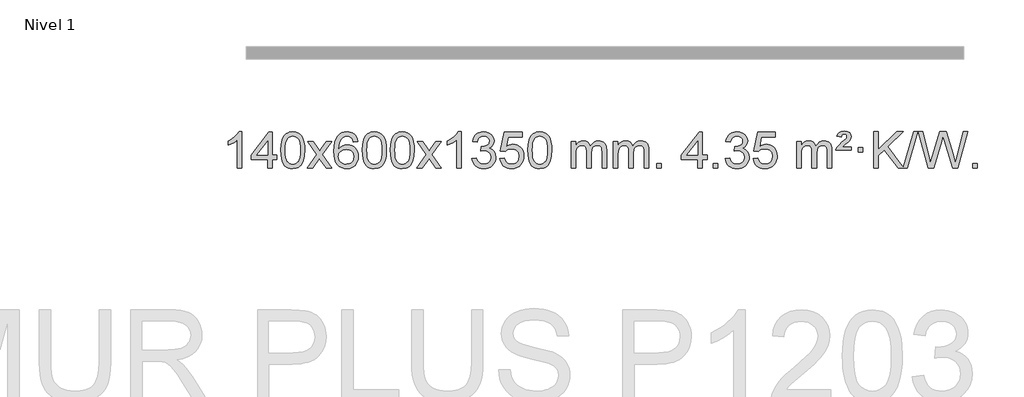
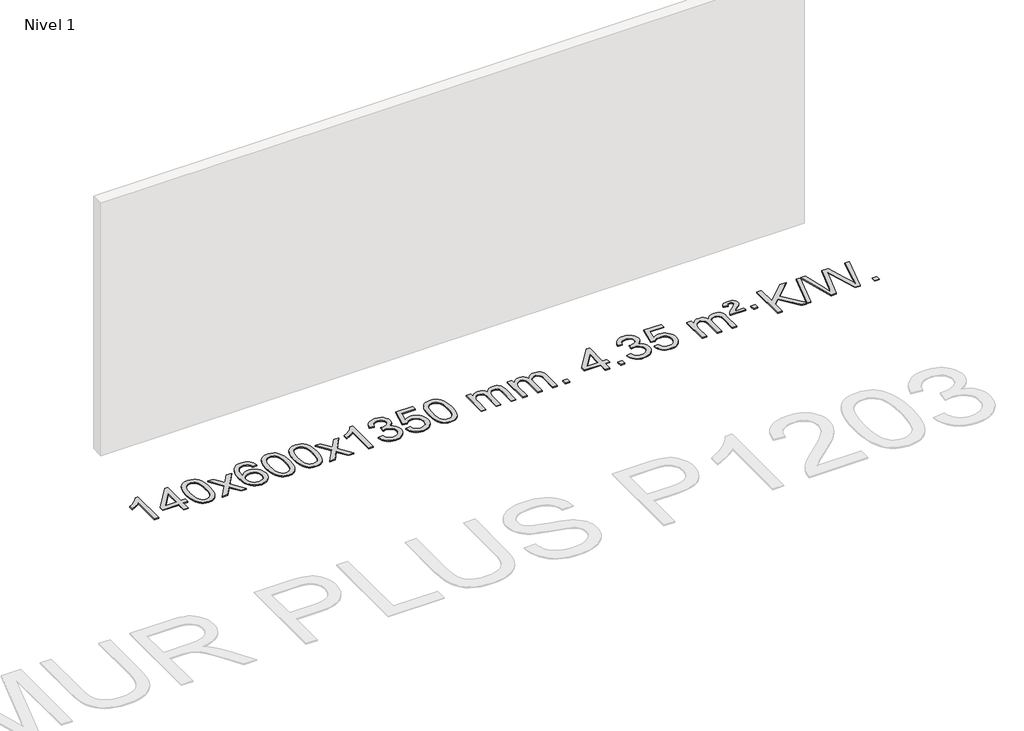
# One storey, part 3 of 10: 1 proxy.
"""IFC4 building model written with IfcOpenShell, lengths in millimetres."""

from ifc_helpers import new_model, si_unit, origin, origin_with_axes, place, context, project, spatial, polyline, outline, extrude, element, save

model = new_model("IFC4")

# Units and contexts
model_context = context("Model", 3, world=origin())
ifc_project = project(units=[si_unit("LENGTHUNIT", "METRE", prefix="MILLI")], contexts=[model_context])

# Site, building, storey
site = spatial("IfcSite", under=ifc_project)
building = spatial("IfcBuilding", under=site)
storey = spatial("IfcBuildingStorey", under=building, Name="Nivel 1", Elevation=0.0)

# Proxy
placement = place(None, origin())
element("IfcBuildingElementProxy", 1, Name="Texto de modelo 1", ObjectType="Texto de modelo 1", at=placement, inside=storey, context=model_context, shape_type="SweptSolid", body=[
    extrude(outline(polyline([(-275.4615788, -15465.579453), (-325.6897338, -15465.579453), (-325.6897338, -15152.4382987), (-346.6590076, -15169.3976587), (-373.2691385, -15186.3324932), (-426.146044, -15211.6918254), (-426.146044, -15164.2105225), (-386.6968314, -15142.7507395), (-352.520594, -15117.219729), (-325.5793692, -15090.0700378), (-307.8351943, -15063.7542124), (-275.4615788, -15063.7542124), (-275.4615788, -15465.579453)])), origin_with_axes(), (0.0, 0.0, 1.0), 10.0),
    extrude(outline(polyline([(7.0717935, -15465.579453), (7.0717935, -15371.4016622), (-175.0052686, -15371.4016622), (-175.0052686, -15321.1735072), (19.6288323, -15070.0327318), (57.2999486, -15070.0327318), (57.2999486, -15321.1735072), (107.5281037, -15321.1735072), (107.5281037, -15371.4016622), (57.2999486, -15371.4016622), (57.2999486, -15465.579453), (7.0717935, -15465.579453)]), holes=[polyline([(7.0717935, -15321.1735072), (7.0717935, -15165.9763561), (-113.2010934, -15321.1735072), (7.0717935, -15321.1735072)])]), origin_with_axes(), (0.0, 0.0, 1.0), 10.0),
    extrude(outline(polyline([(151.4777394, -15267.9041943), (155.1688221, -15203.5861588), (166.2420701, -15152.2911459), (184.5871189, -15113.2343407), (196.4451819, -15098.0009605), (210.0936039, -15085.6309284), (225.5783702, -15076.0598651), (242.9454661, -15069.2233914), (283.3266464, -15063.7542124), (314.277785, -15066.991574), (341.9915619, -15076.7036586), (365.1681276, -15092.5103217), (382.5076323, -15114.0314184), (395.6042314, -15141.0830078), (406.05208, -15173.4811488), (412.8946851, -15214.6226186), (415.1755535, -15267.9041943), (411.521259, -15331.8543477), (400.5583756, -15383.0267333), (382.3236913, -15422.1203266), (370.4932195, -15437.3996922), (356.8539945, -15449.8341036), (341.3508341, -15459.4695462), (323.928556, -15466.3520052), (283.3266464, -15471.8579724), (255.6619204, -15469.4667394), (231.1364541, -15462.2930405), (209.7502474, -15450.3368757), (191.5033004, -15433.5982449), (173.9921175, -15403.3399508), (161.4841296, -15365.6381776), (153.9793369, -15320.4929255), (151.4777394, -15267.9041943)]), holes=[polyline([(201.7058944, -15267.8060924), (203.1774224, -15311.4706195), (207.5920064, -15346.8148822), (214.9496463, -15373.8388804), (225.2503421, -15392.5426142), (237.709279, -15405.2682656), (251.5416421, -15414.3580165), (266.7474312, -15419.8118671), (283.3266464, -15421.6298173), (299.9058617, -15419.8057357), (315.1116508, -15414.3334911), (328.9440138, -15405.2130833), (341.4029507, -15392.4445124), (351.7036466, -15373.7101217), (359.0612865, -15346.6922549), (363.4758705, -15311.3909118), (364.9473984, -15267.8060924), (363.5249214, -15225.2973278), (359.2574902, -15190.5753989), (352.145105, -15163.6403055), (342.1877657, -15144.4920476), (329.9372952, -15131.1440625), (315.9455167, -15121.6097875), (300.21243, -15115.8892225), (282.7380352, -15113.9823675), (266.2446591, -15115.6623619), (251.2963874, -15120.7023452), (237.89322, -15129.1023175), (226.0351571, -15140.8622786), (215.3911047, -15161.708925), (207.7882101, -15189.8151094), (203.2264734, -15225.1808319), (201.7058944, -15267.8060924)])]), origin_with_axes(), (0.0, 0.0, 1.0), 10.0),
    extrude(outline(polyline([(440.2896311, -15465.579453), (547.6130718, -15317.2494325), (446.5681504, -15170.4890419), (506.9988995, -15170.4890419), (555.7555266, -15241.122385), (578.5151594, -15274.4770192), (598.2336343, -15247.2047007), (653.7592901, -15170.4890419), (714.1900392, -15170.4890419), (608.0438209, -15317.2494325), (710.2659646, -15465.579453), (649.8352155, -15465.579453), (588.3253459, -15376.4048574), (577.0436314, -15360.1199477), (500.7203801, -15465.579453), (440.2896311, -15465.579453)])), origin_with_axes(), (0.0, 0.0, 1.0), 10.0),
    extrude(outline(polyline([(999.0778563, -15170.4890419), (948.8497012, -15176.7675613), (940.7562973, -15151.874213), (929.8179393, -15134.8780648), (907.0337811, -15119.2062918), (879.4916824, -15113.9823675), (856.1434384, -15117.0235253), (834.1686206, -15126.1469988), (815.2962742, -15145.3627017), (799.8820186, -15171.8134171), (789.4709581, -15209.227016), (785.6081972, -15261.3313693), (805.7558678, -15237.8237098), (829.9011894, -15221.2567573), (856.6952614, -15211.434308), (884.7891831, -15208.1601582), (908.922242, -15210.398107), (931.1913654, -15217.1119534), (951.5965534, -15228.3016975), (970.137806, -15243.9673391), (985.5459302, -15263.1769106), (996.5517332, -15284.9984443), (1003.155215, -15309.4319401), (1005.3563756, -15336.4773982), (1001.2115718, -15372.4439945), (988.7771604, -15405.786366), (969.0832109, -15434.0642287), (943.159793, -15454.8372987), (912.184129, -15467.602804), (877.3334413, -15471.8579724), (847.3909126, -15469.0375437), (820.3485203, -15460.5762579), (796.2062643, -15446.4741147), (774.9641448, -15426.7311143), (757.6460999, -15400.5133908), (745.2760678, -15366.9870783), (737.8540485, -15326.1521768), (735.3800421, -15278.0086864), (738.1268943, -15224.0342663), (746.367451, -15177.9693092), (760.1017122, -15139.8138149), (779.3296778, -15109.5677835), (800.1701928, -15089.5243462), (824.3339085, -15075.2076052), (851.820825, -15066.6175606), (882.6309421, -15063.7542124), (905.7645882, -15065.5261773), (926.7032051, -15070.8420722), (945.4467927, -15079.7018969), (961.9953511, -15092.1056515), (975.9012906, -15107.6364031), (986.7170212, -15125.8772186), (994.4425431, -15146.8280983), (999.0778563, -15170.4890419)]), holes=[polyline([(785.6081972, -15335.6925832), (788.514465, -15357.9494439), (797.2332682, -15379.2007605), (810.7713257, -15397.472233), (828.1353558, -15410.7895612), (849.0923668, -15418.9197533), (873.4093667, -15421.6298173), (906.5555345, -15416.0134855), (920.4706709, -15408.9930708), (932.6138425, -15399.1644901), (942.4638829, -15386.9262824), (949.499626, -15372.6769865), (955.1282206, -15338.1451299), (949.5732024, -15304.9989621), (942.6294298, -15291.3781312), (932.9081481, -15279.725469), (920.7281883, -15270.3904634), (906.4083817, -15263.7226022), (871.3492275, -15258.3883133), (838.2521107, -15263.7226022), (810.5751219, -15279.725469), (799.6520924, -15291.2248471), (791.8499284, -15304.3858254), (787.16863, -15319.2084042), (785.6081972, -15335.6925832)])]), origin_with_axes(), (0.0, 0.0, 1.0), 10.0),
    extrude(outline(polyline([(1049.3060113, -15267.9041943), (1052.997094, -15203.5861588), (1064.0703421, -15152.2911459), (1082.4153909, -15113.2343407), (1094.2734539, -15098.0009605), (1107.9218759, -15085.6309284), (1123.4066422, -15076.0598651), (1140.7737381, -15069.2233914), (1181.1549184, -15063.7542124), (1212.1060569, -15066.991574), (1239.8198339, -15076.7036586), (1262.9963996, -15092.5103217), (1280.3359043, -15114.0314184), (1293.4325033, -15141.0830078), (1303.880352, -15173.4811488), (1310.7229571, -15214.6226186), (1313.0038255, -15267.9041943), (1309.349531, -15331.8543477), (1298.3866475, -15383.0267333), (1280.1519633, -15422.1203266), (1268.3214915, -15437.3996922), (1254.6822665, -15449.8341036), (1239.1791061, -15459.4695462), (1221.7568279, -15466.3520052), (1181.1549184, -15471.8579724), (1153.4901924, -15469.4667394), (1128.964726, -15462.2930405), (1107.5785194, -15450.3368757), (1089.3315724, -15433.5982449), (1071.8203894, -15403.3399508), (1059.3124016, -15365.6381776), (1051.8076089, -15320.4929255), (1049.3060113, -15267.9041943)]), holes=[polyline([(1099.5341664, -15267.8060924), (1101.0056944, -15311.4706195), (1105.4202783, -15346.8148822), (1112.7779182, -15373.8388804), (1123.0786141, -15392.5426142), (1135.537551, -15405.2682656), (1149.369914, -15414.3580165), (1164.5757032, -15419.8118671), (1181.1549184, -15421.6298173), (1197.7341337, -15419.8057357), (1212.9399228, -15414.3334911), (1226.7722858, -15405.2130833), (1239.2312227, -15392.4445124), (1249.5319186, -15373.7101217), (1256.8895585, -15346.6922549), (1261.3041424, -15311.3909118), (1262.7756704, -15267.8060924), (1261.3531934, -15225.2973278), (1257.0857622, -15190.5753989), (1249.973377, -15163.6403055), (1240.0160376, -15144.4920476), (1227.7655672, -15131.1440625), (1213.7737886, -15121.6097875), (1198.040702, -15115.8892225), (1180.5663072, -15113.9823675), (1164.0729311, -15115.6623619), (1149.1246594, -15120.7023452), (1135.721492, -15129.1023175), (1123.863429, -15140.8622786), (1113.2193766, -15161.708925), (1105.6164821, -15189.8151094), (1101.0547453, -15225.1808319), (1099.5341664, -15267.8060924)])]), origin_with_axes(), (0.0, 0.0, 1.0), 10.0),
    extrude(outline(polyline([(1356.9534612, -15267.9041943), (1360.6445439, -15203.5861588), (1371.7177919, -15152.2911459), (1390.0628407, -15113.2343407), (1401.9209037, -15098.0009605), (1415.5693257, -15085.6309284), (1431.054092, -15076.0598651), (1448.4211879, -15069.2233914), (1488.8023682, -15063.7542124), (1519.7535068, -15066.991574), (1547.4672837, -15076.7036586), (1570.6438494, -15092.5103217), (1587.9833541, -15114.0314184), (1601.0799532, -15141.0830078), (1611.5278018, -15173.4811488), (1618.3704069, -15214.6226186), (1620.6512753, -15267.9041943), (1616.9969808, -15331.8543477), (1606.0340974, -15383.0267333), (1587.7994131, -15422.1203266), (1575.9689413, -15437.3996922), (1562.3297163, -15449.8341036), (1546.8265559, -15459.4695462), (1529.4042778, -15466.3520052), (1488.8023682, -15471.8579724), (1461.1376422, -15469.4667394), (1436.6121759, -15462.2930405), (1415.2259692, -15450.3368757), (1396.9790222, -15433.5982449), (1379.4678393, -15403.3399508), (1366.9598514, -15365.6381776), (1359.4550587, -15320.4929255), (1356.9534612, -15267.9041943)]), holes=[polyline([(1407.1816162, -15267.8060924), (1408.6531442, -15311.4706195), (1413.0677282, -15346.8148822), (1420.4253681, -15373.8388804), (1430.7260639, -15392.5426142), (1443.1850008, -15405.2682656), (1457.0173639, -15414.3580165), (1472.223153, -15419.8118671), (1488.8023682, -15421.6298173), (1505.3815835, -15419.8057357), (1520.5873726, -15414.3334911), (1534.4197356, -15405.2130833), (1546.8786725, -15392.4445124), (1557.1793684, -15373.7101217), (1564.5370083, -15346.6922549), (1568.9515923, -15311.3909118), (1570.4231202, -15267.8060924), (1569.0006432, -15225.2973278), (1564.733212, -15190.5753989), (1557.6208268, -15163.6403055), (1547.6634875, -15144.4920476), (1535.413017, -15131.1440625), (1521.4212385, -15121.6097875), (1505.6881518, -15115.8892225), (1488.213757, -15113.9823675), (1471.7203809, -15115.6623619), (1456.7721092, -15120.7023452), (1443.3689418, -15129.1023175), (1431.5108789, -15140.8622786), (1420.8668265, -15161.708925), (1413.2639319, -15189.8151094), (1408.7021952, -15225.1808319), (1407.1816162, -15267.8060924)])]), origin_with_axes(), (0.0, 0.0, 1.0), 10.0),
    extrude(outline(polyline([(1645.7653528, -15465.579453), (1753.0887936, -15317.2494325), (1652.0438722, -15170.4890419), (1712.4746213, -15170.4890419), (1761.2312484, -15241.122385), (1783.9908812, -15274.4770192), (1803.7093561, -15247.2047007), (1859.2350119, -15170.4890419), (1919.665761, -15170.4890419), (1813.5195426, -15317.2494325), (1915.7416864, -15465.579453), (1855.3109373, -15465.579453), (1793.8010677, -15376.4048574), (1782.5193532, -15360.1199477), (1706.1961019, -15465.579453), (1645.7653528, -15465.579453)])), origin_with_axes(), (0.0, 0.0, 1.0), 10.0),
    extrude(outline(polyline([(2135.4898648, -15465.579453), (2085.2617098, -15465.579453), (2085.2617098, -15152.4382987), (2064.292436, -15169.3976587), (2037.682305, -15186.3324932), (1984.8053996, -15211.6918254), (1984.8053996, -15164.2105225), (2024.2546122, -15142.7507395), (2058.4308496, -15117.219729), (2085.3720743, -15090.0700378), (2103.1162492, -15063.7542124), (2135.4898648, -15063.7542124), (2135.4898648, -15465.579453)])), origin_with_axes(), (0.0, 0.0, 1.0), 10.0),
    extrude(outline(polyline([(2254.7817331, -15358.8446235), (2305.0098882, -15352.5661041), (2316.2548145, -15384.1303793), (2332.7236652, -15405.4430095), (2355.2257805, -15417.5831154), (2384.570501, -15421.6298173), (2419.0042558, -15416.0625364), (2433.2780772, -15409.1034354), (2445.5898613, -15399.3606939), (2462.5860095, -15374.4428201), (2468.2513922, -15344.2274455), (2462.6350604, -15315.5449126), (2445.786065, -15292.2825078), (2420.27958, -15276.8682522), (2388.6907794, -15271.730167), (2353.4722097, -15277.2238715), (2359.064016, -15226.9957164), (2367.108369, -15227.5843276), (2397.2011162, -15223.979084), (2424.1055528, -15213.1633534), (2435.1788008, -15204.9841103), (2443.0882637, -15194.8673555), (2447.8339415, -15182.8130888), (2449.415834, -15168.8213102), (2444.8295718, -15147.1285352), (2431.0707852, -15129.5315131), (2410.076986, -15117.8696539), (2383.7856861, -15113.9823675), (2357.4453352, -15117.9064421), (2335.9119758, -15129.6786659), (2320.1911519, -15149.299039), (2311.2884076, -15176.7675613), (2261.0602525, -15170.4890419), (2267.0138095, -15146.5092672), (2275.8491087, -15125.3867093), (2287.5661503, -15107.1213683), (2302.1649341, -15091.713244), (2319.1856078, -15079.4811677), (2338.1683187, -15070.7439703), (2359.113067, -15065.5016519), (2382.0198525, -15063.7542124), (2413.5963904, -15067.2000404), (2442.5977544, -15077.5375245), (2467.0496443, -15093.8469596), (2484.9777602, -15115.2086408), (2495.9774319, -15139.8199463), (2499.6439891, -15165.8782543), (2496.1613729, -15190.1584659), (2485.7135242, -15212.1823347), (2468.4475959, -15230.9443165), (2444.5107408, -15245.4388671), (2475.9523886, -15258.1430586), (2499.2515817, -15279.77452), (2513.6725559, -15309.1560286), (2518.4795473, -15345.1103623), (2516.0760516, -15370.5923218), (2508.8655645, -15394.0631931), (2496.848086, -15415.5229762), (2480.023616, -15434.971671), (2459.5264575, -15451.1094278), (2436.4909133, -15462.636397), (2410.9169832, -15469.5525785), (2382.8046674, -15471.8579724), (2357.3962843, -15469.8898037), (2334.2442441, -15463.9852977), (2313.3485468, -15454.1444543), (2294.7091923, -15440.3672736), (2279.0803389, -15423.4630959), (2267.2161446, -15404.2412617), (2259.1166093, -15382.7017708), (2254.7817331, -15358.8446235)])), origin_with_axes(), (0.0, 0.0, 1.0), 10.0),
    extrude(outline(polyline([(2562.429183, -15358.8446235), (2612.657338, -15352.5661041), (2621.8789134, -15382.7201649), (2637.9676193, -15404.3148381), (2660.8498794, -15417.3010725), (2690.4521173, -15421.6298173), (2709.581981, -15420.1245668), (2726.4555019, -15415.6088153), (2741.0726798, -15408.0825628), (2753.4335149, -15397.5458094), (2763.2620955, -15384.519721), (2770.2825102, -15369.5254641), (2775.898842, -15333.6324441), (2770.6381295, -15299.8363514), (2764.0622388, -15285.9181493), (2754.8559919, -15273.9865099), (2742.9887319, -15264.4154467), (2728.4298019, -15257.5789729), (2691.2369322, -15252.1097939), (2666.8708814, -15254.2925604), (2647.1401437, -15260.8408599), (2631.3825316, -15270.8717757), (2618.9358574, -15283.5023908), (2568.7077023, -15277.2238715), (2612.657338, -15070.0327318), (2807.291439, -15070.0327318), (2807.291439, -15120.2608869), (2653.2715103, -15120.2608869), (2631.7872018, -15230.919791), (2649.5129826, -15218.2155994), (2667.667959, -15209.1411769), (2686.2521312, -15203.6965234), (2705.265499, -15201.8816388), (2729.726586, -15204.1318504), (2752.1949788, -15210.882485), (2772.6706775, -15222.1335427), (2791.1536821, -15237.8850234), (2806.4545074, -15257.1743027), (2817.3836684, -15279.038756), (2823.9411649, -15303.4783832), (2826.1269971, -15330.4931844), (2824.1588284, -15356.5147042), (2818.2543224, -15380.7213394), (2808.413479, -15403.1130902), (2794.6362983, -15423.6899565), (2773.7651265, -15444.7634634), (2749.4113384, -15459.8159684), (2721.5749341, -15468.8474714), (2690.2559136, -15471.8579724), (2664.3355613, -15469.9235262), (2640.922938, -15464.1201877), (2620.0180436, -15454.447957), (2601.6208782, -15440.9068338), (2586.3139215, -15424.1712688), (2574.6796534, -15404.915712), (2566.7180739, -15383.1401636), (2562.429183, -15358.8446235)])), origin_with_axes(), (0.0, 0.0, 1.0), 10.0),
    extrude(outline(polyline([(2870.0766328, -15267.9041943), (2873.7677155, -15203.5861588), (2884.8409635, -15152.2911459), (2903.1860124, -15113.2343407), (2915.0440753, -15098.0009605), (2928.6924974, -15085.6309284), (2944.1772637, -15076.0598651), (2961.5443595, -15069.2233914), (3001.9255399, -15063.7542124), (3032.8766784, -15066.991574), (3060.5904554, -15076.7036586), (3083.7670211, -15092.5103217), (3101.1065258, -15114.0314184), (3114.2031248, -15141.0830078), (3124.6509735, -15173.4811488), (3131.4935786, -15214.6226186), (3133.7744469, -15267.9041943), (3130.1201525, -15331.8543477), (3119.157269, -15383.0267333), (3100.9225848, -15422.1203266), (3089.0921129, -15437.3996922), (3075.452888, -15449.8341036), (3059.9497276, -15459.4695462), (3042.5274494, -15466.3520052), (3001.9255399, -15471.8579724), (2974.2608138, -15469.4667394), (2949.7353475, -15462.2930405), (2928.3491408, -15450.3368757), (2910.1021939, -15433.5982449), (2892.5910109, -15403.3399508), (2880.0830231, -15365.6381776), (2872.5782304, -15320.4929255), (2870.0766328, -15267.9041943)]), holes=[polyline([(2920.3047879, -15267.8060924), (2921.7763158, -15311.4706195), (2926.1908998, -15346.8148822), (2933.5485397, -15373.8388804), (2943.8492356, -15392.5426142), (2956.3081725, -15405.2682656), (2970.1405355, -15414.3580165), (2985.3463246, -15419.8118671), (3001.9255399, -15421.6298173), (3018.5047551, -15419.8057357), (3033.7105442, -15414.3334911), (3047.5429073, -15405.2130833), (3060.0018442, -15392.4445124), (3070.30254, -15373.7101217), (3077.6601799, -15346.6922549), (3082.0747639, -15311.3909118), (3083.5462919, -15267.8060924), (3082.1238148, -15225.2973278), (3077.8563837, -15190.5753989), (3070.7439984, -15163.6403055), (3060.7866591, -15144.4920476), (3048.5361887, -15131.1440625), (3034.5444101, -15121.6097875), (3018.8113234, -15115.8892225), (3001.3369287, -15113.9823675), (2984.8435526, -15115.6623619), (2969.8952808, -15120.7023452), (2956.4921135, -15129.1023175), (2944.6340505, -15140.8622786), (2933.9899981, -15161.708925), (2926.3871035, -15189.8151094), (2921.8253668, -15225.1808319), (2920.3047879, -15267.8060924)])]), origin_with_axes(), (0.0, 0.0, 1.0), 10.0),
    extrude(outline(polyline([(3347.244106, -15465.579453), (3347.244106, -15170.4890419), (3397.4722611, -15170.4890419), (3397.4722611, -15219.0494653), (3412.5799483, -15196.7435537), (3432.0041177, -15179.2691589), (3455.0825815, -15167.9751816), (3481.1531522, -15164.2105225), (3509.0876584, -15168.048758), (3531.4794092, -15179.5634645), (3548.2057772, -15197.9943524), (3559.1441352, -15222.5811324), (3577.4523959, -15197.0439906), (3598.3358304, -15178.803175), (3621.794439, -15167.8586857), (3647.8282215, -15164.2105225), (3667.9360383, -15165.7280358), (3685.585177, -15170.2805755), (3700.7756377, -15177.8681416), (3713.5074204, -15188.4907342), (3723.5720587, -15202.2709806), (3730.761086, -15219.3315082), (3735.0745024, -15239.6723168), (3736.5123078, -15263.2934066), (3736.5123078, -15465.579453), (3686.2841528, -15465.579453), (3686.2841528, -15284.875817), (3685.1191931, -15259.8230531), (3681.6243142, -15242.9372695), (3675.0760146, -15231.3735121), (3664.7507933, -15222.2868268), (3651.4702533, -15216.4007149), (3636.0559977, -15214.4386776), (3608.8449928, -15219.4663982), (3586.6617085, -15234.54956), (3578.0563355, -15246.1194488), (3571.9096405, -15260.7182326), (3566.9922845, -15299.0024856), (3566.9922845, -15465.579453), (3516.7641294, -15465.579453), (3516.7641294, -15279.2840106), (3513.8578616, -15250.8835206), (3505.1390583, -15230.6254854), (3489.7983791, -15218.4853796), (3467.0264836, -15214.4386776), (3447.6758907, -15217.1364789), (3429.8458767, -15225.2298828), (3415.1305968, -15238.5226856), (3405.1242066, -15256.8186835), (3399.3852475, -15282.2025411), (3397.4722611, -15316.7589232), (3397.4722611, -15465.579453), (3347.244106, -15465.579453)])), origin_with_axes(), (0.0, 0.0, 1.0), 10.0),
    extrude(outline(polyline([(3811.8545404, -15465.579453), (3811.8545404, -15170.4890419), (3862.0826955, -15170.4890419), (3862.0826955, -15219.0494653), (3877.1903828, -15196.7435537), (3896.6145521, -15179.2691589), (3919.693016, -15167.9751816), (3945.7635867, -15164.2105225), (3973.6980929, -15168.048758), (3996.0898436, -15179.5634645), (4012.8162117, -15197.9943524), (4023.7545697, -15222.5811324), (4042.0628303, -15197.0439906), (4062.9462649, -15178.803175), (4086.4048734, -15167.8586857), (4112.438656, -15164.2105225), (4132.5464727, -15165.7280358), (4150.1956114, -15170.2805755), (4165.3860721, -15177.8681416), (4178.1178548, -15188.4907342), (4188.1824931, -15202.2709806), (4195.3715204, -15219.3315082), (4199.6849368, -15239.6723168), (4201.1227423, -15263.2934066), (4201.1227423, -15465.579453), (4150.8945872, -15465.579453), (4150.8945872, -15284.875817), (4149.7296276, -15259.8230531), (4146.2347486, -15242.9372695), (4139.6864491, -15231.3735121), (4129.3612278, -15222.2868268), (4116.0806877, -15216.4007149), (4100.6664321, -15214.4386776), (4073.4554272, -15219.4663982), (4051.2721429, -15234.54956), (4042.6667699, -15246.1194488), (4036.5200749, -15260.7182326), (4031.6027189, -15299.0024856), (4031.6027189, -15465.579453), (3981.3745638, -15465.579453), (3981.3745638, -15279.2840106), (3978.4682961, -15250.8835206), (3969.7494928, -15230.6254854), (3954.4088136, -15218.4853796), (3931.6369181, -15214.4386776), (3912.2863251, -15217.1364789), (3894.4563111, -15225.2298828), (3879.7410313, -15238.5226856), (3869.734641, -15256.8186835), (3863.9956819, -15282.2025411), (3862.0826955, -15316.7589232), (3862.0826955, -15465.579453), (3811.8545404, -15465.579453)])), origin_with_axes(), (0.0, 0.0, 1.0), 10.0),
    extrude(outline(polyline([(4289.0220137, -15465.579453), (4289.0220137, -15415.3512979), (4339.2501687, -15415.3512979), (4339.2501687, -15465.579453), (4289.0220137, -15465.579453)])), origin_with_axes(), (0.0, 0.0, 1.0), 10.0),
    extrude(outline(polyline([(4741.0754093, -15465.579453), (4741.0754093, -15371.4016622), (4558.9983472, -15371.4016622), (4558.9983472, -15321.1735072), (4753.6324481, -15070.0327318), (4791.3035644, -15070.0327318), (4791.3035644, -15321.1735072), (4841.5317195, -15321.1735072), (4841.5317195, -15371.4016622), (4791.3035644, -15371.4016622), (4791.3035644, -15465.579453), (4741.0754093, -15465.579453)]), holes=[polyline([(4741.0754093, -15321.1735072), (4741.0754093, -15165.9763561), (4620.8025224, -15321.1735072), (4741.0754093, -15321.1735072)])]), origin_with_axes(), (0.0, 0.0, 1.0), 10.0),
    extrude(outline(polyline([(4910.5954327, -15465.579453), (4910.5954327, -15415.3512979), (4960.8235878, -15415.3512979), (4960.8235878, -15465.579453), (4910.5954327, -15465.579453)])), origin_with_axes(), (0.0, 0.0, 1.0), 10.0),
    extrude(outline(polyline([(5042.4443398, -15358.8446235), (5092.6724949, -15352.5661041), (5103.9174212, -15384.1303793), (5120.3862718, -15405.4430095), (5142.8883872, -15417.5831154), (5172.2331077, -15421.6298173), (5206.6668624, -15416.0625364), (5220.9406838, -15409.1034354), (5233.2524679, -15399.3606939), (5250.2486161, -15374.4428201), (5255.9139988, -15344.2274455), (5250.2976671, -15315.5449126), (5233.4486717, -15292.2825078), (5207.9421867, -15276.8682522), (5176.353386, -15271.730167), (5141.1348164, -15277.2238715), (5146.7266227, -15226.9957164), (5154.7709756, -15227.5843276), (5184.8637228, -15223.979084), (5211.7681594, -15213.1633534), (5222.8414075, -15204.9841103), (5230.7508704, -15194.8673555), (5235.4965481, -15182.8130888), (5237.0784407, -15168.8213102), (5232.4921785, -15147.1285352), (5218.7333919, -15129.5315131), (5197.7395927, -15117.8696539), (5171.4482928, -15113.9823675), (5145.1079419, -15117.9064421), (5123.5745824, -15129.6786659), (5107.8537585, -15149.299039), (5098.9510142, -15176.7675613), (5048.7228592, -15170.4890419), (5054.6764161, -15146.5092672), (5063.5117154, -15125.3867093), (5075.2287569, -15107.1213683), (5089.8275408, -15091.713244), (5106.8482144, -15079.4811677), (5125.8309254, -15070.7439703), (5146.7756736, -15065.5016519), (5169.6824592, -15063.7542124), (5201.2589971, -15067.2000404), (5230.2603611, -15077.5375245), (5254.712251, -15093.8469596), (5272.6403669, -15115.2086408), (5283.6400386, -15139.8199463), (5287.3065958, -15165.8782543), (5283.8239795, -15190.1584659), (5273.3761309, -15212.1823347), (5256.1102026, -15230.9443165), (5232.1733474, -15245.4388671), (5263.6149953, -15258.1430586), (5286.9141883, -15279.77452), (5301.3351625, -15309.1560286), (5306.1421539, -15345.1103623), (5303.7386582, -15370.5923218), (5296.5281711, -15394.0631931), (5284.5106926, -15415.5229762), (5267.6862227, -15434.971671), (5247.1890642, -15451.1094278), (5224.1535199, -15462.636397), (5198.5795899, -15469.5525785), (5170.4672741, -15471.8579724), (5145.058891, -15469.8898037), (5121.9068507, -15463.9852977), (5101.0111534, -15454.1444543), (5082.371799, -15440.3672736), (5066.7429456, -15423.4630959), (5054.8787512, -15404.2412617), (5046.779216, -15382.7017708), (5042.4443398, -15358.8446235)])), origin_with_axes(), (0.0, 0.0, 1.0), 10.0),
    extrude(outline(polyline([(5350.0917896, -15358.8446235), (5400.3199447, -15352.5661041), (5409.54152, -15382.7201649), (5425.630226, -15404.3148381), (5448.5124861, -15417.3010725), (5478.1147239, -15421.6298173), (5497.2445877, -15420.1245668), (5514.1181085, -15415.6088153), (5528.7352865, -15408.0825628), (5541.0961215, -15397.5458094), (5550.9247021, -15384.519721), (5557.9451169, -15369.5254641), (5563.5614487, -15333.6324441), (5558.3007361, -15299.8363514), (5551.7248455, -15285.9181493), (5542.5185986, -15273.9865099), (5530.6513385, -15264.4154467), (5516.0924086, -15257.5789729), (5478.8995389, -15252.1097939), (5454.533488, -15254.2925604), (5434.8027504, -15260.8408599), (5419.0451382, -15270.8717757), (5406.5984641, -15283.5023908), (5356.370309, -15277.2238715), (5400.3199447, -15070.0327318), (5594.9540456, -15070.0327318), (5594.9540456, -15120.2608869), (5440.934117, -15120.2608869), (5419.4498084, -15230.919791), (5437.1755892, -15218.2155994), (5455.3305657, -15209.1411769), (5473.9147378, -15203.6965234), (5492.9281056, -15201.8816388), (5517.3891926, -15204.1318504), (5539.8575855, -15210.882485), (5560.3332842, -15222.1335427), (5578.8162887, -15237.8850234), (5594.1171141, -15257.1743027), (5605.046275, -15279.038756), (5611.6037716, -15303.4783832), (5613.7896038, -15330.4931844), (5611.8214351, -15356.5147042), (5605.9169291, -15380.7213394), (5596.0760857, -15403.1130902), (5582.298905, -15423.6899565), (5561.4277331, -15444.7634634), (5537.073945, -15459.8159684), (5509.2375407, -15468.8474714), (5477.9185202, -15471.8579724), (5451.998168, -15469.9235262), (5428.5855447, -15464.1201877), (5407.6806503, -15454.447957), (5389.2834848, -15440.9068338), (5373.9765281, -15424.1712688), (5362.3422601, -15404.915712), (5354.3806805, -15383.1401636), (5350.0917896, -15358.8446235)])), origin_with_axes(), (0.0, 0.0, 1.0), 10.0),
    extrude(outline(polyline([(5827.2592628, -15465.579453), (5827.2592628, -15170.4890419), (5877.4874179, -15170.4890419), (5877.4874179, -15219.0494653), (5892.5951052, -15196.7435537), (5912.0192745, -15179.2691589), (5935.0977383, -15167.9751816), (5961.1683091, -15164.2105225), (5989.1028152, -15168.048758), (6011.494566, -15179.5634645), (6028.2209341, -15197.9943524), (6039.159292, -15222.5811324), (6057.4675527, -15197.0439906), (6078.3509873, -15178.803175), (6101.8095958, -15167.8586857), (6127.8433783, -15164.2105225), (6147.9511951, -15165.7280358), (6165.6003338, -15170.2805755), (6180.7907945, -15177.8681416), (6193.5225772, -15188.4907342), (6203.5872155, -15202.2709806), (6210.7762428, -15219.3315082), (6215.0896592, -15239.6723168), (6216.5274647, -15263.2934066), (6216.5274647, -15465.579453), (6166.2993096, -15465.579453), (6166.2993096, -15284.875817), (6165.1343499, -15259.8230531), (6161.639471, -15242.9372695), (6155.0911715, -15231.3735121), (6144.7659501, -15222.2868268), (6131.4854101, -15216.4007149), (6116.0711545, -15214.4386776), (6088.8601496, -15219.4663982), (6066.6768653, -15234.54956), (6058.0714923, -15246.1194488), (6051.9247973, -15260.7182326), (6047.0074413, -15299.0024856), (6047.0074413, -15465.579453), (5996.7792862, -15465.579453), (5996.7792862, -15279.2840106), (5993.8730184, -15250.8835206), (5985.1542152, -15230.6254854), (5969.813536, -15218.4853796), (5947.0416405, -15214.4386776), (5927.6910475, -15217.1364789), (5909.8610335, -15225.2298828), (5895.1457537, -15238.5226856), (5885.1393634, -15256.8186835), (5879.4004043, -15282.2025411), (5877.4874179, -15316.7589232), (5877.4874179, -15465.579453), (5827.2592628, -15465.579453)])), origin_with_axes(), (0.0, 0.0, 1.0), 10.0),
    extrude(outline(polyline([(6260.4771003, -15264.6668327), (6264.3030731, -15248.8479069), (6272.6417317, -15232.9799302), (6294.1505656, -15207.8413272), (6326.1072483, -15180.1030247), (6370.2530877, -15142.726214), (6377.3899984, -15131.1992448), (6379.7689686, -15119.3779701), (6377.8805077, -15107.2869152), (6372.215125, -15097.5012541), (6362.8463969, -15091.026531), (6349.8478997, -15088.8682899), (6337.4134883, -15090.4869707), (6328.5597949, -15095.343013), (6322.1341227, -15104.8098431), (6316.9837748, -15120.2608869), (6266.7556197, -15113.9823675), (6277.5958759, -15088.7701881), (6294.224142, -15071.2099542), (6317.9893189, -15060.9092583), (6350.2403072, -15057.475693), (6386.0229626, -15061.6082341), (6410.7691581, -15074.0058573), (6425.1901323, -15092.3386434), (6429.9971237, -15114.2766731), (6425.9013708, -15137.1834586), (6413.6141122, -15158.8149199), (6393.0862969, -15178.6314968), (6356.6169284, -15206.6886303), (6331.0123416, -15233.2742358), (6429.9971237, -15233.2742358), (6429.9971237, -15264.6668327), (6260.4771003, -15264.6668327)])), origin_with_axes(), (0.0, 0.0, 1.0), 10.0),
    extrude(outline(polyline([(6505.3393563, -15289.7809102), (6505.3393563, -15239.5527552), (6555.5675114, -15239.5527552), (6555.5675114, -15289.7809102), (6505.3393563, -15289.7809102)])), origin_with_axes(), (0.0, 0.0, 1.0), 10.0),
    extrude(outline(polyline([(6946.2091394, -15465.579453), (6792.7778219, -15262.9009991), (6725.0875348, -15327.4520265), (6725.0875348, -15465.579453), (6674.8593797, -15465.579453), (6674.8593797, -15063.7542124), (6725.0875348, -15063.7542124), (6725.0875348, -15260.4484525), (6931.1014521, -15063.7542124), (7001.3423877, -15063.7542124), (6828.388799, -15228.9577537), (7003.0424089, -15459.5349332), (7114.3557366, -15063.7542124), (7159.6787984, -15063.7542124), (7046.6654495, -15465.579453), (7007.6209071, -15465.579453), (7001.3423877, -15465.579453), (6946.2091394, -15465.579453)])), origin_with_axes(), (0.0, 0.0, 1.0), 10.0),
    extrude(outline(polyline([(7274.1636753, -15465.579453), (7164.5838917, -15063.7542124), (7216.3816766, -15063.7542124), (7279.9516854, -15327.844434), (7299.5720585, -15409.3670841), (7320.5658576, -15337.2622131), (7400.2245723, -15063.7542124), (7474.8800919, -15063.7542124), (7532.7601925, -15262.0180823), (7557.5554389, -15335.5944814), (7575.8269114, -15409.3670841), (7594.8586732, -15330.1988788), (7659.0172932, -15063.7542124), (7710.8150781, -15063.7542124), (7601.1371926, -15465.579453), (7547.4754723, -15465.579453), (7451.1394405, -15155.5775584), (7437.6994849, -15112.3146358), (7422.5917976, -15164.4067263), (7334.7906281, -15465.579453), (7274.1636753, -15465.579453)])), origin_with_axes(), (0.0, 0.0, 1.0), 10.0),
    extrude(outline(polyline([(7767.3217526, -15465.579453), (7767.3217526, -15415.3512979), (7817.5499077, -15415.3512979), (7817.5499077, -15465.579453), (7767.3217526, -15465.579453)])), origin_with_axes(), (0.0, 0.0, 1.0), 10.0),
])

save(model, "model.ifc")
